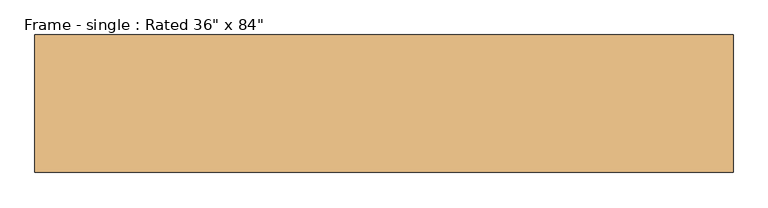
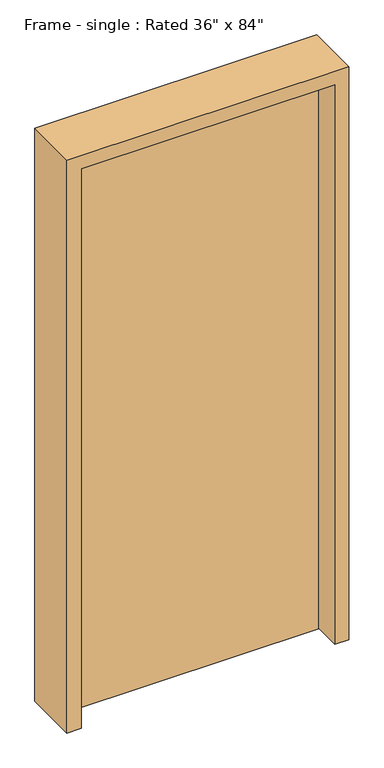
"""IFC4 building model written with IfcOpenShell, lengths in millimetres: door geometry."""

from ifc_helpers import new_model, si_unit, frame, origin, origin_with_axes, place, context, project, spatial, polyline, outline, extrude, source, transform, mapped, element, save


def door_c8ee17ed(model_context):
    return source(origin(), model_context, "Body", "SweptSolid", [
        extrude(outline(polyline([(457.2, 0.0), (-457.2, 0.0), (-457.2, 44.45), (457.2, 44.45), (457.2, 0.0)])), origin_with_axes(), (0.0, 0.0, 1.0), 2133.6),
        extrude(outline(polyline([(2184.4, 508.0), (2184.4, -508.0), (0.0, -508.0), (0.0, -457.2), (2133.6, -457.2), (2133.6, 457.2), (0.0, 457.2), (0.0, 508.0), (2184.4, 508.0)])), frame((0.0, -100.0125, 0.0), z_axis=(0.0, 1.0, 0.0), x_axis=(0.0, 0.0, 1.0)), (0.0, 0.0, 1.0), 200.025),
    ])


if __name__ == "__main__":
    model = new_model("IFC4")
    model_context = context("Model", 3, world=origin())
    ifc_project = project(units=[si_unit("LENGTHUNIT", "METRE", prefix="MILLI")], contexts=[model_context])
    site = spatial("IfcSite", under=ifc_project)
    building = spatial("IfcBuilding", under=site)
    placement = place(None, origin())
    door_shape = door_c8ee17ed(model_context)
    element("IfcDoor", 1, ObjectType="Frame - single : Rated 36\" x 84\"", at=placement, inside=building, context=model_context, shape_type="MappedRepresentation", body=[
        mapped(door_shape, transform((0.0, 0.0, 0.0), x_axis=(1.0, 0.0, 0.0), y_axis=(0.0, 1.0, 0.0), z_axis=(0.0, 0.0, 1.0))),
    ])
    save(model, "model.ifc")
